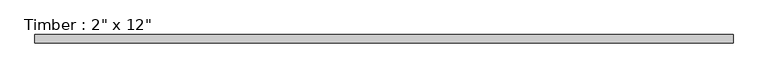
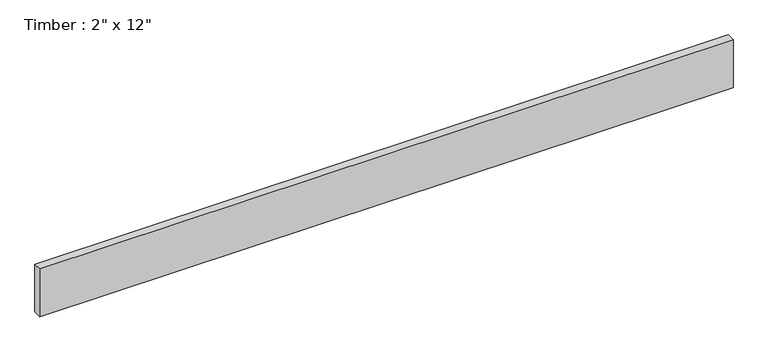
"""IFC4 building model written with IfcOpenShell, lengths in millimetres: beam geometry."""

import ifcopenshell
import ifcopenshell.guid

model = None  # the IFC model being written
_history = None  # IfcOwnerHistory: only IFC2X3 demands one
_inside = {}  # id of a spatial element -> (the spatial element, [elements in it])
_under = {}  # id of a project, library or spatial element -> (it, [spatial elements below it])
_declared = {}  # id of a project -> (the project, [libraries it declares])
_typed = {}  # id of a type object -> (the type object, [elements of that type])
_made_of = {}  # id of a material, layer set ... -> (it, [elements and type objects made of it])


def new_model(schema):
    """Start an empty IFC model of exactly this schema.

    Asked for "IFC4X3", IfcOpenShell would pick the latest addendum, in which some entities
    have other attributes; the version numbers below select the first issue.
    IFC2X3 requires an IfcOwnerHistory on every rooted entity: one is made here for all.
    """
    global model, _history
    if schema == "IFC4X3":
        model = ifcopenshell.file(schema_version=(4, 3, 0, 0))
    else:
        model = ifcopenshell.file(schema=schema)
    _inside.clear()
    _under.clear()
    _declared.clear()
    _typed.clear()
    _made_of.clear()
    _history = None
    if model.schema == "IFC2X3":
        org = make("IfcOrganization", Name="unknown")
        user = make(
            "IfcPersonAndOrganization",
            ThePerson=make("IfcPerson", FamilyName="unknown"),
            TheOrganization=org,
        )
        app = make(
            "IfcApplication",
            ApplicationDeveloper=org,
            Version="unknown",
            ApplicationFullName="unknown",
            ApplicationIdentifier="unknown",
        )
        _history = make(
            "IfcOwnerHistory",
            OwningUser=user,
            OwningApplication=app,
            ChangeAction="ADDED",
            CreationDate=0,
        )
    return model


def make(cls, **values):
    """One entity of the class cls with the attributes given. An attribute that is None is left unset."""
    return model.create_entity(
        cls, **{name: value for name, value in values.items() if value is not None}
    )


def rooted(cls, **values):
    """An entity with a GlobalId (a new one), such as an element, a storey or a relation."""
    return make(cls, GlobalId=ifcopenshell.guid.new(), OwnerHistory=_history, **values)


def si_unit(unit_type, name, prefix=None):
    """IfcSIUnit, for example si_unit("LENGTHUNIT", "METRE", prefix="MILLI")."""
    return make("IfcSIUnit", UnitType=unit_type, Prefix=prefix, Name=name)


def assignment(units):
    """IfcUnitAssignment: the units of a project."""
    return None if units is None else make("IfcUnitAssignment", Units=units)


def point(xyz):
    """IfcCartesianPoint."""
    return None if xyz is None else make("IfcCartesianPoint", Coordinates=xyz)


def direction(xyz):
    """IfcDirection."""
    return None if xyz is None else make("IfcDirection", DirectionRatios=xyz)


def frame(location, z_axis=None, x_axis=None):
    """IfcAxis2Placement3D, a coordinate frame: its origin and axes. An axis left out is left unset."""
    return make(
        "IfcAxis2Placement3D",
        Location=point(location),
        Axis=direction(z_axis),
        RefDirection=direction(x_axis),
    )


def origin():
    """The frame at (0, 0, 0) with its axes left unset."""
    return frame((0.0, 0.0, 0.0))


def place(relative_to, where):
    """IfcLocalPlacement: puts the frame where relative to a parent placement (None: the world)."""
    return make(
        "IfcLocalPlacement", PlacementRelTo=relative_to, RelativePlacement=where
    )


def context(
    kind, dimensions, precision=None, world=None, true_north=None, identifier=None
):
    """IfcGeometricRepresentationContext, for example the 3D "Model" context."""
    return make(
        "IfcGeometricRepresentationContext",
        ContextIdentifier=identifier,
        ContextType=kind,
        CoordinateSpaceDimension=dimensions,
        Precision=precision,
        WorldCoordinateSystem=world,
        TrueNorth=true_north,
    )


def project(units=None, contexts=None):
    """IfcProject with its units and contexts."""
    return rooted(
        "IfcProject",
        Name="project",
        RepresentationContexts=contexts,
        UnitsInContext=assignment(units),
    )


def spatial(cls, under=None, at=None, **own):
    """A site, building, storey or space (cls), placed at a placement, below another one or the project."""
    s = rooted(cls, ObjectPlacement=at, **own)
    if under is not None:
        _under.setdefault(under.id(), (under, []))[1].append(s)
    return s


def polyline(points):
    """IfcPolyline through the points."""
    return make("IfcPolyline", Points=[point(p) for p in points])


def outline(outer, holes=None, kind="AREA"):
    """IfcArbitraryClosedProfileDef: a profile drawn as a closed curve; with holes, ...WithVoids."""
    if holes is None:
        return make("IfcArbitraryClosedProfileDef", ProfileType=kind, OuterCurve=outer)
    return make(
        "IfcArbitraryProfileDefWithVoids",
        ProfileType=kind,
        OuterCurve=outer,
        InnerCurves=holes,
    )


def extrude(swept, where, along, depth):
    """IfcExtrudedAreaSolid: the profile swept, set in the frame where, extruded along a direction by depth."""
    return make(
        "IfcExtrudedAreaSolid",
        SweptArea=swept,
        Position=where,
        ExtrudedDirection=direction(along),
        Depth=depth,
    )


def shape(context_of_items, identifier, shape_type, items):
    """IfcShapeRepresentation: the items that make up one representation, for example the "Body"."""
    return make(
        "IfcShapeRepresentation",
        ContextOfItems=context_of_items,
        RepresentationIdentifier=identifier,
        RepresentationType=shape_type,
        Items=items,
    )


def source(mapping_origin, context_of_items, identifier, shape_type, items):
    """IfcRepresentationMap: a shape defined once, which mapped items show again and again."""
    return make(
        "IfcRepresentationMap",
        MappingOrigin=mapping_origin,
        MappedRepresentation=shape(context_of_items, identifier, shape_type, items),
    )


def transform(
    local_origin,
    x_axis=None,
    y_axis=None,
    z_axis=None,
    scale=None,
    scale2=None,
    scale3=None,
    uniform=True,
):
    """IfcCartesianTransformationOperator3D, or its non-uniform kind. x_axis, y_axis, z_axis: its Axis1, 2, 3."""
    if uniform:
        return make(
            "IfcCartesianTransformationOperator3D",
            Axis1=direction(x_axis),
            Axis2=direction(y_axis),
            LocalOrigin=point(local_origin),
            Scale=scale,
            Axis3=direction(z_axis),
        )
    return make(
        "IfcCartesianTransformationOperator3DnonUniform",
        Axis1=direction(x_axis),
        Axis2=direction(y_axis),
        LocalOrigin=point(local_origin),
        Scale=scale,
        Axis3=direction(z_axis),
        Scale2=scale2,
        Scale3=scale3,
    )


def mapped(mapping_source, mapping_target):
    """IfcMappedItem: shows the shape of a source again, moved by a transform."""
    return make(
        "IfcMappedItem", MappingSource=mapping_source, MappingTarget=mapping_target
    )


def made_of(thing, what):
    """Note that an element or type object is made of a material, layer set ...; save() writes the relation."""
    if what is not None:
        _made_of.setdefault(what.id(), (what, []))[1].append(thing)
    return thing


def element(
    cls,
    number,
    at=None,
    inside=None,
    cuts=None,
    type_object=None,
    material=None,
    context=None,
    identifier="Body",
    shape_type=None,
    held_by="IfcProductDefinitionShape",
    body=None,
    shapes=None,
    **own,
):
    """One element of the class cls, such as IfcWall. Its Tag is "e" and its number.

    at: its placement. inside: the storey or other place that contains it. cuts: it is an
    opening in that element (IfcRelVoidsElement). A single representation is given by context,
    identifier, shape_type and body (its items); several are given by shapes. held_by: the class
    of the entity that holds the representations. save() writes the other relations.
    """
    e = rooted(cls, Tag="e%d" % number, ObjectPlacement=at, **own)
    if body is not None:
        shapes = [shape(context, identifier, shape_type, body)]
    if shapes is not None:
        e.Representation = make(held_by, Representations=shapes)
    if inside is not None:
        _inside.setdefault(inside.id(), (inside, []))[1].append(e)
    if cuts is not None:
        rooted(
            "IfcRelVoidsElement", RelatingBuildingElement=cuts, RelatedOpeningElement=e
        )
    if type_object is not None:
        _typed.setdefault(type_object.id(), (type_object, []))[1].append(e)
    return made_of(e, material)


def aggregate(whole, parts):
    """IfcRelAggregates: a whole, such as a stair, and the parts it consists of."""
    return rooted("IfcRelAggregates", RelatingObject=whole, RelatedObjects=parts)


def save(model, path):
    """Write the relations noted so far, then the file.

    IfcRelAggregates (storeys below a building ...), IfcRelContainedInSpatialStructure (elements
    in a storey), IfcRelDefinesByType, IfcRelAssociatesMaterial and IfcRelDeclares: one each for
    every whole, place, type object, material and project.
    """
    for whole, parts in _under.values():
        aggregate(whole, parts)
    for where, things in _inside.values():
        rooted(
            "IfcRelContainedInSpatialStructure",
            RelatedElements=things,
            RelatingStructure=where,
        )
    for kind, things in _typed.values():
        rooted("IfcRelDefinesByType", RelatedObjects=things, RelatingType=kind)
    for what, things in _made_of.values():
        rooted("IfcRelAssociatesMaterial", RelatedObjects=things, RelatingMaterial=what)
    for by, libraries in _declared.values():
        rooted("IfcRelDeclares", RelatingContext=by, RelatedDefinitions=libraries)
    model.write(path)


def beam_4e545578(model_context):
    return source(origin(), model_context, "Body", "SweptSolid", [
        extrude(outline(polyline([(2088.1978567, 25.4), (2088.1978567, -25.4), (-2088.1978567, -25.4), (-2088.1978567, 25.4), (2088.1978567, 25.4)])), frame((0.0, 0.0, -152.4), z_axis=(0.0, 0.0, 1.0), x_axis=(1.0, 0.0, 0.0)), (0.0, 0.0, 1.0), 304.8),
    ])


if __name__ == "__main__":
    model = new_model("IFC4")
    model_context = context("Model", 3, world=origin())
    ifc_project = project(units=[si_unit("LENGTHUNIT", "METRE", prefix="MILLI")], contexts=[model_context])
    site = spatial("IfcSite", under=ifc_project)
    building = spatial("IfcBuilding", under=site)
    placement = place(None, origin())
    beam_shape = beam_4e545578(model_context)
    element("IfcBeam", 1, ObjectType="Timber : 2\" x 12\"", at=placement, inside=building, context=model_context, shape_type="MappedRepresentation", body=[
        mapped(beam_shape, transform((0.0, 0.0, 0.0), x_axis=(1.0, 0.0, 0.0), y_axis=(0.0, 1.0, 0.0), z_axis=(0.0, 0.0, 1.0))),
    ])
    save(model, "model.ifc")
